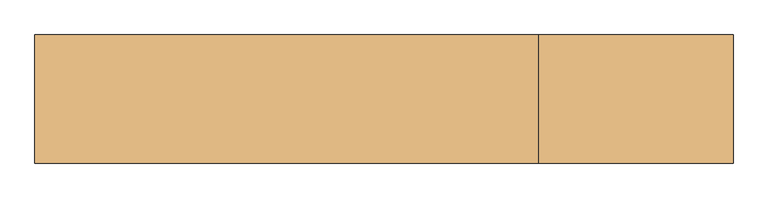
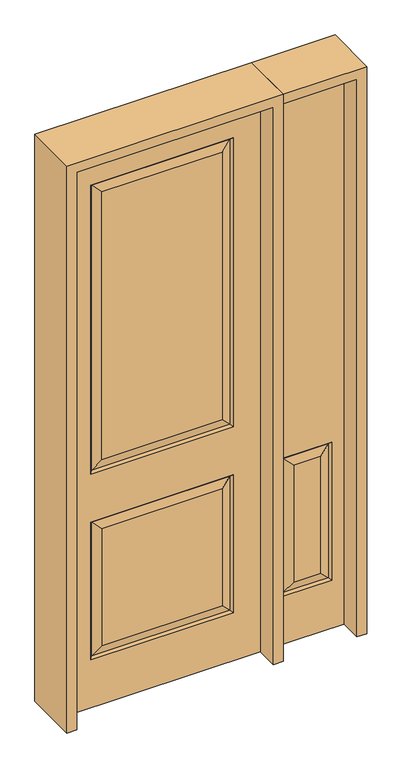
"""IFC4 building model written with IfcOpenShell, lengths in millimetres: door geometry."""

from ifc_helpers import new_model, si_unit, frame, origin, place, context, project, spatial, polyline, outline, extrude, faceted_brep, source, transform, mapped, element, save


def door_a7914c85(model_context):
    return source(origin(), model_context, "Body", "SolidModel", [
        faceted_brep([(692.6947439, 11.6572439, 218.5302561), (692.6947439, 11.6572439, 803.8197439), (701.675, 20.6375, 812.8), (701.675, 20.6375, 209.55), (507.4552561, 11.6572439, 803.8197439), (498.475, 20.6375, 812.8), (507.4552561, -11.6572439, 218.5302561), (498.475, -20.6375, 209.55), (701.675, -20.6375, 209.55), (692.6947439, -11.6572439, 218.5302561), (544.5125, -20.6375, 255.5875), (544.5125, -20.6375, 766.7625), (507.4552561, -11.6572439, 803.8197439), (692.6947439, -11.6572439, 803.8197439), (655.6375, -20.6375, 766.7625), (655.6375, -20.6375, 255.5875), (752.475, -20.6375, 0.0), (752.475, -20.6375, 2438.4), (447.675, -20.6375, 2438.4), (447.675, -20.6375, 0.0), (498.475, -20.6375, 812.8), (701.675, -20.6375, 812.8), (447.675, 20.6375, 0.0), (752.475, 20.6375, 0.0), (447.675, 20.6375, 2438.4), (752.475, 20.6375, 2438.4), (498.475, 20.6375, 209.55), (544.5125, 20.6375, 255.5875), (544.5125, 20.6375, 766.7625), (655.6375, 20.6375, 766.7625), (655.6375, 20.6375, 255.5875), (507.4552561, 11.6572439, 218.5302561)], [[[0, 1, 2, 3]], [[1, 4, 5, 2]], [[6, 7, 8, 9]], [[10, 11, 12, 6]], [[9, 13, 14, 15]], [[16, 17, 18, 19], [7, 20, 21, 8]], [[15, 14, 11, 10]], [[19, 22, 23, 16]], [[18, 24, 22, 19]], [[16, 23, 25, 17]], [[8, 21, 13, 9]], [[21, 20, 12, 13]], [[6, 12, 20, 7]], [[9, 15, 10, 6]], [[13, 12, 11, 14]], [[23, 22, 24, 25], [3, 2, 5, 26]], [[27, 28, 29, 30]], [[3, 26, 31, 0]], [[26, 5, 4, 31]], [[31, 27, 30, 0]], [[30, 29, 1, 0]], [[29, 28, 4, 1]], [[31, 4, 28, 27]], [[17, 25, 24, 18]]]),
        faceted_brep([(-286.2947439, -11.6572439, 218.5302561), (-249.2375, -20.6375, 255.5875), (-249.2375, -20.6375, 766.7625), (-286.2947439, -11.6572439, 803.8197439), (286.2947439, 11.6572439, 803.8197439), (-286.2947439, 11.6572439, 803.8197439), (-295.275, 20.6375, 812.8), (295.275, 20.6375, 812.8), (-286.2947439, 11.6572439, 218.5302561), (-295.275, 20.6375, 209.55), (286.2947439, 11.6572439, 218.5302561), (295.275, 20.6375, 209.55), (286.2947439, -11.6572439, 1031.3302561), (-286.2947439, -11.6572439, 1031.3302561), (-295.275, -20.6375, 1022.35), (295.275, -20.6375, 1022.35), (-286.2947439, -11.6572439, 2277.0197439), (-295.275, -20.6375, 2286.0), (295.275, -20.6375, 2286.0), (286.2947439, -11.6572439, 2277.0197439), (249.2375, -20.6375, 1068.3875), (-249.2375, -20.6375, 1068.3875), (-295.275, -20.6375, 812.8), (286.2947439, -11.6572439, 803.8197439), (295.275, -20.6375, 812.8), (406.4, 20.6375, 0.0), (406.4, -20.6375, 0.0), (-406.4, -20.6375, 0.0), (-406.4, 20.6375, 0.0), (406.4, 20.6375, 2438.4), (406.4, -20.6375, 2438.4), (249.2375, -20.6375, 255.5875), (249.2375, -20.6375, 766.7625), (249.2375, -20.6375, 2239.9625), (-249.2375, -20.6375, 2239.9625), (-406.4, -20.6375, 2438.4), (295.275, -20.6375, 209.55), (-295.275, -20.6375, 209.55), (-406.4, 20.6375, 2438.4), (-249.2375, 20.6375, 766.7625), (249.2375, 20.6375, 766.7625), (249.2375, 20.6375, 255.5875), (-249.2375, 20.6375, 255.5875), (-249.2375, 20.6375, 2239.9625), (249.2375, 20.6375, 2239.9625), (249.2375, 20.6375, 1068.3875), (-249.2375, 20.6375, 1068.3875), (295.275, 20.6375, 2286.0), (-295.275, 20.6375, 2286.0), (-295.275, 20.6375, 1022.35), (295.275, 20.6375, 1022.35), (-286.2947439, 11.6572439, 2277.0197439), (-286.2947439, 11.6572439, 1031.3302561), (286.2947439, 11.6572439, 1031.3302561), (286.2947439, 11.6572439, 2277.0197439), (286.2947439, -11.6572439, 218.5302561)], [[[0, 1, 2, 3]], [[4, 5, 6, 7]], [[6, 5, 8, 9]], [[9, 8, 10, 11]], [[12, 13, 14, 15]], [[14, 13, 16, 17]], [[12, 15, 18, 19]], [[13, 12, 20, 21]], [[22, 3, 23, 24]], [[25, 26, 27, 28]], [[29, 30, 26, 25]], [[1, 31, 32, 2]], [[21, 20, 33, 34]], [[30, 35, 27, 26], [15, 14, 17, 18], [36, 37, 22, 24]], [[3, 2, 32, 23]], [[35, 38, 28, 27]], [[39, 40, 41, 42]], [[43, 44, 45, 46]], [[38, 29, 25, 28], [7, 6, 9, 11], [47, 48, 49, 50]], [[48, 51, 52, 49]], [[49, 52, 53, 50]], [[54, 47, 50, 53]], [[44, 54, 53, 45]], [[52, 46, 45, 53]], [[51, 43, 46, 52]], [[4, 7, 11, 10]], [[5, 4, 40, 39]], [[40, 4, 10, 41]], [[8, 42, 41, 10]], [[5, 39, 42, 8]], [[20, 12, 19, 33]], [[13, 21, 34, 16]], [[55, 0, 37, 36]], [[37, 0, 3, 22]], [[55, 36, 24, 23]], [[0, 55, 31, 1]], [[31, 55, 23, 32]], [[29, 38, 35, 30]], [[17, 16, 19, 18]], [[16, 34, 33, 19]], [[54, 51, 48, 47]], [[51, 54, 44, 43]]]),
        extrude(outline(polyline([(2479.675, -447.675), (0.0, -447.675), (0.0, -406.4), (2438.4, -406.4), (2438.4, 406.4), (0.0, 406.4), (0.0, 447.675), (2479.675, 447.675), (2479.675, -447.675)])), frame((0.0, -114.3, 0.0), z_axis=(0.0, 1.0, 0.0), x_axis=(0.0, 0.0, 1.0)), (0.0, 0.0, 1.0), 228.6),
        extrude(outline(polyline([(0.0, 752.475), (0.0, 793.75), (2479.675, 793.75), (2479.675, 447.675), (2438.4, 447.675), (2438.4, 752.475), (0.0, 752.475)])), frame((0.0, -114.3, 0.0), z_axis=(0.0, 1.0, 0.0), x_axis=(0.0, 0.0, 1.0)), (0.0, 0.0, 1.0), 228.6),
    ])


if __name__ == "__main__":
    model = new_model("IFC4")
    model_context = context("Model", 3, world=origin())
    ifc_project = project(units=[si_unit("LENGTHUNIT", "METRE", prefix="MILLI")], contexts=[model_context])
    site = spatial("IfcSite", under=ifc_project)
    building = spatial("IfcBuilding", under=site)
    placement = place(None, origin())
    door_shape = door_a7914c85(model_context)
    element("IfcDoor", 1, at=placement, inside=building, context=model_context, shape_type="MappedRepresentation", body=[
        mapped(door_shape, transform((0.0, 0.0, 0.0), x_axis=(1.0, 0.0, 0.0), y_axis=(0.0, 1.0, 0.0), z_axis=(0.0, 0.0, 1.0))),
    ])
    save(model, "model.ifc")
